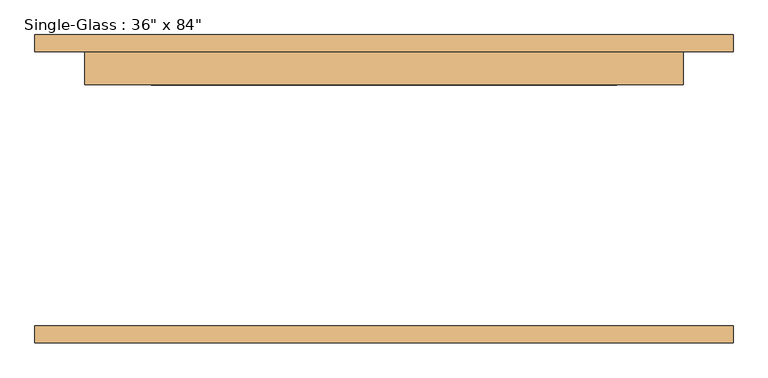
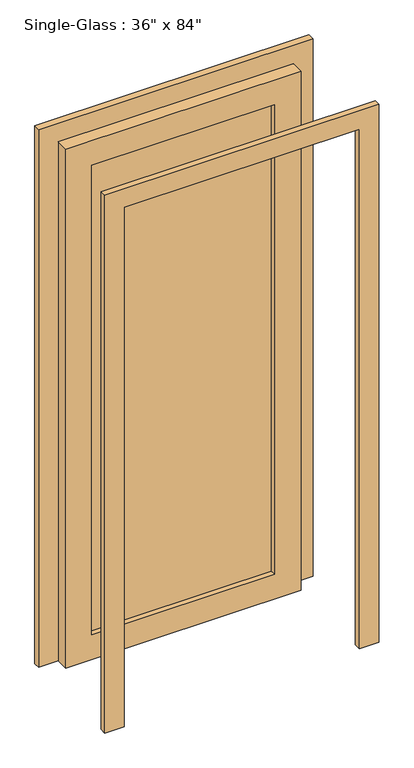
"""IFC4 building model written with IfcOpenShell, lengths in millimetres: door geometry."""

from ifc_helpers import new_model, si_unit, frame, origin, place, context, project, spatial, polyline, outline, extrude, source, transform, mapped, element, save


def door_2052ec25(model_context):
    return source(origin(), model_context, "Body", "SweptSolid", [
        extrude(outline(polyline([(2133.6, 457.2), (0.0, 457.2), (0.0, 533.4), (2209.8, 533.4), (2209.8, -533.4), (0.0, -533.4), (0.0, -457.2), (2133.6, -457.2), (2133.6, 457.2)])), frame((0.0, -235.4, 0.0), z_axis=(0.0, 1.0, 0.0), x_axis=(0.0, 0.0, 1.0)), (0.0, 0.0, 1.0), 25.4),
        extrude(outline(polyline([(2133.6, 457.2), (0.0, 457.2), (0.0, 533.4), (2209.8, 533.4), (2209.8, -533.4), (0.0, -533.4), (0.0, -457.2), (2133.6, -457.2), (2133.6, 457.2)])), frame((0.0, 210.0, 0.0), z_axis=(0.0, 1.0, 0.0), x_axis=(0.0, 0.0, 1.0)), (0.0, 0.0, 1.0), 25.4),
        extrude(outline(polyline([(355.6, 181.425), (-355.6, 181.425), (-355.6, 187.775), (355.6, 187.775), (355.6, 181.425)])), frame((0.0, 0.0, 101.6), z_axis=(0.0, 0.0, 1.0), x_axis=(1.0, 0.0, 0.0)), (0.0, 0.0, 1.0), 1930.4),
        extrude(outline(polyline([(2133.6, 457.2), (2133.6, -457.2), (0.0, -457.2), (0.0, 457.2), (2133.6, 457.2)]), holes=[polyline([(2032.0, -355.6), (2032.0, 355.6), (101.6, 355.6), (101.6, -355.6), (2032.0, -355.6)])]), frame((0.0, 159.2, 0.0), z_axis=(0.0, 1.0, 0.0), x_axis=(0.0, 0.0, 1.0)), (0.0, 0.0, 1.0), 50.8),
    ])


if __name__ == "__main__":
    model = new_model("IFC4")
    model_context = context("Model", 3, world=origin())
    ifc_project = project(units=[si_unit("LENGTHUNIT", "METRE", prefix="MILLI")], contexts=[model_context])
    site = spatial("IfcSite", under=ifc_project)
    building = spatial("IfcBuilding", under=site)
    placement = place(None, origin())
    door_shape = door_2052ec25(model_context)
    element("IfcDoor", 1, ObjectType="Single-Glass : 36\" x 84\"", at=placement, inside=building, context=model_context, shape_type="MappedRepresentation", body=[
        mapped(door_shape, transform((0.0, 0.0, 0.0), x_axis=(1.0, 0.0, 0.0), y_axis=(0.0, 1.0, 0.0), z_axis=(0.0, 0.0, 1.0))),
    ])
    save(model, "model.ifc")
